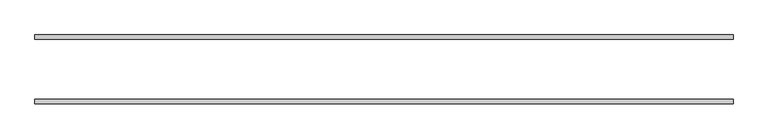
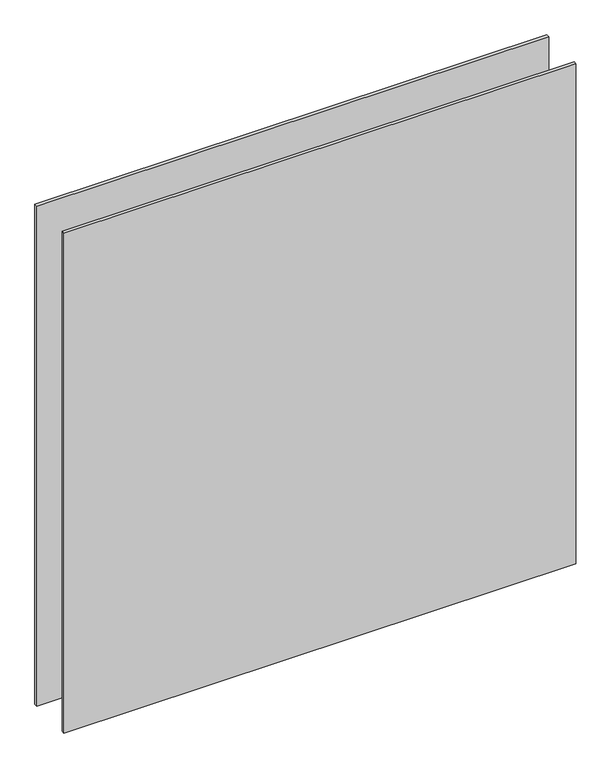
"""IFC4 building model written with IfcOpenShell, lengths in millimetres: plate geometry."""

from ifc_helpers import new_model, si_unit, origin, origin_with_axes, place, context, project, spatial, polyline, outline, extrude, source, transform, mapped, element, save


def plate_987c4768(model_context):
    return source(origin(), model_context, "Body", "SweptSolid", [
        extrude(outline(polyline([(-625.0, -61.5), (-625.0, -53.5), (625.0, -53.5), (625.0, -61.5), (-625.0, -61.5)])), origin_with_axes(), (0.0, 0.0, 1.0), 1290.0),
        extrude(outline(polyline([(625.0, 53.5), (-625.0, 53.5), (-625.0, 61.5), (625.0, 61.5), (625.0, 53.5)])), origin_with_axes(), (0.0, 0.0, 1.0), 1290.0),
    ])


if __name__ == "__main__":
    model = new_model("IFC4")
    model_context = context("Model", 3, world=origin())
    ifc_project = project(units=[si_unit("LENGTHUNIT", "METRE", prefix="MILLI")], contexts=[model_context])
    site = spatial("IfcSite", under=ifc_project)
    building = spatial("IfcBuilding", under=site)
    placement = place(None, origin())
    plate_shape = plate_987c4768(model_context)
    element("IfcPlate", 1, at=placement, inside=building, context=model_context, shape_type="MappedRepresentation", body=[
        mapped(plate_shape, transform((0.0, 0.0, 0.0), x_axis=(1.0, 0.0, 0.0), y_axis=(0.0, 1.0, 0.0), z_axis=(0.0, 0.0, 1.0))),
    ])
    save(model, "model.ifc")
